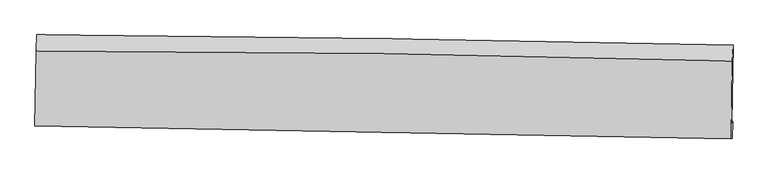
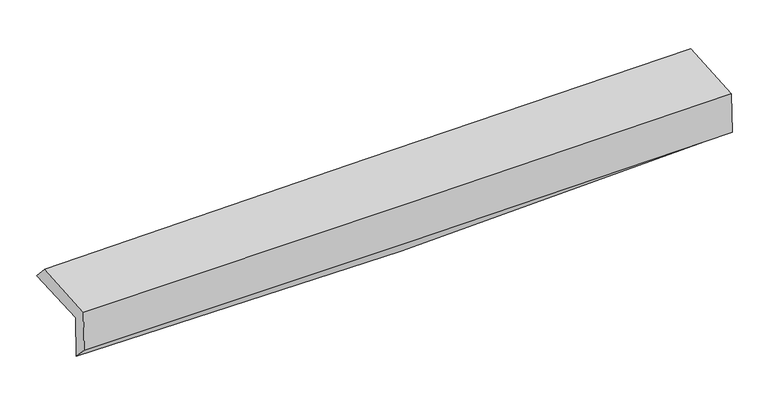
"""IFC4 building model written with IfcOpenShell, lengths in millimetres: proxy geometry."""

from ifc_helpers import new_model, si_unit, frame, origin, place, context, project, spatial, source, transform, mapped, element, save
from ifc_brep_helpers import plane_surface, spline_curve, spline_surface, advanced_brep


def generic_models_db112000(model_context):
    return source(origin(), model_context, "Body", "AdvancedBrep", [
        advanced_brep(
        [(-3020.0667517, -1755.2117557, 1953.5515885), (-3009.5536958, -1098.1408949, 1972.151699), (3007.8176461, -1187.0377752, 2127.2022803), (2997.0587289, -1859.4750878, 2108.1671822), (-3010.6328792, -1744.2622446, 1561.4150215), (3006.4324981, -1848.5953362, 1718.5289189), (-3016.4763692, -1884.0526326, 1710.3414085), (3001.1503327, -1997.5433292, 1837.1927352), (-3025.5717884, -1886.5638261, 2094.0936087), (2992.050075, -2000.0558586, 2221.1490769), (-3015.5613539, -1241.1644936, 2125.752414), (3002.5353927, -1324.6846206, 2253.8540001)],
        [
            (0, 1),
            (1, 2, spline_curve(3, [(-3009.5536958, -1098.1408949, 1972.151699), (-2005.937596194, -1106.5184767, 1972.312823334), (-1002.685777044, -1118.115259131, 1985.3140699), (1003.104681587, -1147.747454088, 2036.997203005), (2005.643309442, -1165.78296454, 2075.679483629), (3007.8176461, -1187.0377752, 2127.2022803)], [4, 2, 4], [0.0, 9.876223684903936, 19.752598832160153])),
            (2, 3),
            (3, 0, spline_curve(3, [(2997.0587289, -1859.4750878, 2108.1671822), (1994.7368043, -1847.444607745, 2056.383267009), (992.14487136, -1832.740669347, 2017.606677481), (-1013.563630446, -1797.98614355, 1966.068544912), (-2016.680191335, -1777.93563747, 1953.306603175), (-3020.0667517, -1755.2117557, 1953.5515885)], [4, 2, 4], [0.0, 9.876375147256217, 19.752598832160153])),
            (4, 0),
            (3, 5),
            (5, 4, spline_curve(3, [(3006.4324981, -1848.5953362, 1718.5289189), (2004.300901457, -1836.343949917, 1658.833654254), (1001.809140886, -1821.523746186, 1615.893225264), (-1003.879329126, -1786.745969889, 1563.522440114), (-2007.076027743, -1766.788476811, 1554.091569814), (-3010.6328792, -1744.2622446, 1561.4150215)], [4, 2, 4], [0.0, 9.87674062888471, 19.753329789812174])),
            (6, 4),
            (5, 7),
            (7, 6, spline_curve(3, [(3001.1503327, -1997.5433292, 1837.1927352), (1998.390687071, -1977.846596562, 1809.378589756), (995.538126419, -1958.540602639, 1784.900517746), (-1010.337444024, -1920.710382642, 1742.616844284), (-2013.360450528, -1902.186144125, 1724.811140891), (-3016.4763692, -1884.0526326, 1710.3414085)], [4, 2, 4], [0.0, 9.875999034940154, 19.75184661329602])),
            (8, 6),
            (7, 9),
            (9, 8, spline_curve(3, [(2992.050075, -2000.0558586, 2221.1490769), (1989.291210893, -1980.358910125, 2193.301953717), (986.439444319, -1961.052697295, 2168.790380942), (-1019.434512936, -1923.22203159, 2126.43866021), (-2022.456700736, -1904.697567164, 2108.598410601), (-3025.5717884, -1886.5638261, 2094.0936087)], [4, 2, 4], [0.0, 9.875523461054758, 19.750895472818545])),
            (10, 8),
            (9, 11),
            (11, 10, spline_curve(3, [(3002.5353927, -1324.6846206, 2253.8540001), (1999.907394862, -1296.661080222, 2226.342545527), (997.081486358, -1275.689300206, 2201.911627865), (-1008.950768361, -1247.849473869, 2159.211193761), (-2012.157109014, -1240.981211791, 2140.941582821), (-3015.5613539, -1241.1644936, 2125.752414)], [4, 2, 4], [0.0, 9.875550439574933, 19.750949429445157])),
            (1, 10),
            (11, 2),
        ],
        [
            spline_surface(3, 3, [[(-3020.0667517, -1755.2117557, 1953.5515885), (-2016.680191232, -1777.935637632, 1953.306603334), (-1013.563630439, -1797.986143421, 1966.068545058), (992.144871353, -1832.740669476, 2017.606677335), (1994.736804139, -1847.444607674, 2056.383266851), (2997.0587289, -1859.4750878, 2108.1671822)], [(-3016.562399765, -1536.188135437, 1959.751625324), (-2013.099326263, -1554.129917275, 1959.642010018), (-1009.937679281, -1571.362515343, 1972.483719995), (995.798141409, -1604.40959761, 2024.070185937), (1998.37230594, -1620.224059985, 2062.81533916), (3000.645034637, -1635.329316908, 2114.512214904)], [(-3013.058047735, -1317.164515163, 1965.951662176), (-2009.518461198, -1330.324196909, 1965.977416729), (-1006.311728129, -1344.738887343, 1978.898894879), (999.451411459, -1376.07852582, 2030.533694487), (2002.00780773, -1393.003512372, 2069.247411457), (3004.231340363, -1411.183546092, 2120.857247596)], [(-3009.5536958, -1098.1408949, 1972.151699), (-2005.93759623, -1106.518476552, 1972.312823412), (-1002.685776972, -1118.115259265, 1985.314069816), (1003.104681514, -1147.747453953, 2036.997203089), (2005.643309531, -1165.782964683, 2075.679483766), (3007.8176461, -1187.0377752, 2127.2022803)]], [4, 4], [4, 2, 4], [0.0, 2.2401337517746054], [0.0, 9.876223684903936, 19.752598832160153]),
            spline_surface(3, 3, [[(-3010.6328792, -1744.2622446, 1561.4150215), (-2007.076027677, -1766.78847665, 1554.091569931), (-1003.879329192, -1786.745970051, 1563.522440076), (1001.809140952, -1821.523746024, 1615.893225302), (2004.300901572, -1836.343949856, 1658.833654316), (3006.4324981, -1848.5953362, 1718.5289189)], [(-3013.777503364, -1747.91208161, 1692.127210491), (-2010.277415526, -1770.504196954, 1687.163247723), (-1007.107429592, -1790.492694524, 1697.704475055), (998.587717768, -1825.262720524, 1749.797709298), (2001.112869077, -1840.044169146, 1791.350191829), (3003.307908349, -1852.221920084, 1848.408340001)], [(-3016.922127536, -1751.56191869, 1822.839399509), (-2013.478803383, -1774.219917328, 1820.234925541), (-1010.335530039, -1794.239418948, 1831.886510079), (995.366294537, -1829.001694976, 1883.702193338), (1997.924836634, -1843.744388384, 1923.866729338), (3000.183318651, -1855.848503916, 1978.287761099)], [(-3020.0667517, -1755.2117557, 1953.5515885), (-2016.680191232, -1777.935637632, 1953.306603334), (-1013.563630439, -1797.986143421, 1966.068545058), (992.144871353, -1832.740669476, 2017.606677335), (1994.736804139, -1847.444607674, 2056.383266851), (2997.0587289, -1859.4750878, 2108.1671822)]], [4, 4], [4, 2, 4], [0.0, 1.3202192099815064], [0.0, 9.876589160927464, 19.753329789812174]),
            spline_surface(3, 3, [[(-3016.4763692, -1884.0526326, 1710.3414085), (-2013.360450462, -1902.186144228, 1724.811140935), (-1010.337443874, -1920.710382533, 1742.616844397), (995.538126269, -1958.540602748, 1784.900517633), (1998.390686995, -1977.846596645, 1809.378589755), (3001.1503327, -1997.5433292, 1837.1927352)], [(-3014.52853918, -1837.455836626, 1660.699279511), (-2011.265642847, -1857.053588395, 1667.904617277), (-1008.184739008, -1876.055578367, 1682.918709626), (997.628464468, -1912.868317167, 1728.564753525), (2000.360758545, -1930.679047726, 1759.196944614), (3002.911054525, -1947.89399821, 1797.638129772)], [(-3012.58070922, -1790.859040574, 1611.057150489), (-2009.170835292, -1811.921032484, 1610.998093588), (-1006.032034057, -1831.400774218, 1623.220574847), (999.718802753, -1867.196031604, 1672.22898941), (2002.330830022, -1883.511498776, 1709.015299457), (3004.671776275, -1898.24466719, 1758.083524328)], [(-3010.6328792, -1744.2622446, 1561.4150215), (-2007.076027677, -1766.78847665, 1554.091569931), (-1003.879329192, -1786.745970051, 1563.522440076), (1001.809140952, -1821.523746024, 1615.893225302), (2004.300901572, -1836.343949856, 1658.833654316), (3006.4324981, -1848.5953362, 1718.5289189)]], [4, 4], [4, 2, 4], [0.0, 0.7239580214395531], [0.0, 9.875847578355867, 19.75184661329602]),
            spline_surface(3, 3, [[(-3025.5717884, -1886.5638261, 2094.0936087), (-2022.456700852, -1904.697567215, 2108.598410528), (-1019.434512977, -1923.222031692, 2126.438660357), (986.43944436, -1961.052697193, 2168.790380795), (1989.291210911, -1980.358910245, 2193.301953678), (2992.050075, -2000.0558586, 2221.1490769)], [(-3022.539981995, -1885.726761577, 1966.176208643), (-2019.424617384, -1903.860426196, 1980.669320673), (-1016.402156578, -1922.384815318, 1998.498055046), (989.472338361, -1960.21533239, 2040.827093084), (1992.324369582, -1979.521472369, 2065.327499027), (2995.08349421, -1999.21834879, 2093.163629657)], [(-3019.508175605, -1884.889697123, 1838.258808557), (-2016.39253393, -1903.023285247, 1852.74023079), (-1013.369800272, -1921.547598907, 1870.557449708), (992.505232268, -1959.37796755, 1912.863805344), (1995.357528324, -1978.684034522, 1937.353044405), (2998.11691349, -1998.38083901, 1965.178182443)], [(-3016.4763692, -1884.0526326, 1710.3414085), (-2013.360450462, -1902.186144228, 1724.811140935), (-1010.337443874, -1920.710382533, 1742.616844397), (995.538126269, -1958.540602748, 1784.900517633), (1998.390686995, -1977.846596645, 1809.378589755), (3001.1503327, -1997.5433292, 1837.1927352)]], [4, 4], [4, 2, 4], [0.0, 1.2597501862239335], [0.0, 9.875372011763787, 19.750895472818545]),
            spline_surface(3, 3, [[(-3015.5613539, -1241.1644936, 2125.752414), (-2012.157109058, -1240.981211744, 2140.941582681), (-1008.950768466, -1247.849474015, 2159.211193714), (997.081486463, -1275.68930006, 2201.911627912), (1999.907394754, -1296.661080124, 2226.342545614), (3002.5353927, -1324.6846206, 2253.8540001)], [(-3018.89816541, -1456.297604437, 2115.199478882), (-2015.590306332, -1462.219996905, 2130.160525278), (-1012.445349988, -1472.973659908, 2148.287015912), (993.534139077, -1504.143765772, 2190.87121219), (1996.368666825, -1524.560356821, 2215.329014978), (2999.040286819, -1549.80836659, 2242.952359043)], [(-3022.23497689, -1671.430715263, 2104.646543818), (-2019.023503577, -1683.458782054, 2119.379467931), (-1015.939931455, -1698.097845798, 2137.362838159), (989.986791746, -1732.598231481, 2179.830796517), (1992.82993884, -1752.459633548, 2204.315484314), (2995.545180881, -1774.93211261, 2232.050717957)], [(-3025.5717884, -1886.5638261, 2094.0936087), (-2022.456700852, -1904.697567215, 2108.598410528), (-1019.434512977, -1923.222031692, 2126.438660357), (986.43944436, -1961.052697193, 2168.790380795), (1989.291210911, -1980.358910245, 2193.301953678), (2992.050075, -2000.0558586, 2221.1490769)]], [4, 4], [4, 2, 4], [0.0, 2.2350630256346826], [0.0, 9.875398989870224, 19.750949429445157]),
            spline_surface(3, 3, [[(-3009.5536958, -1098.1408949, 1972.151699), (-2005.93759623, -1106.518476552, 1972.312823412), (-1002.685776972, -1118.115259265, 1985.314069816), (1003.104681514, -1147.747453953, 2036.997203089), (2005.643309531, -1165.782964683, 2075.679483766), (3007.8176461, -1187.0377752, 2127.2022803)], [(-3011.556248485, -1145.815427814, 2023.351937349), (-2008.010767157, -1151.339388296, 2028.522409851), (-1004.774107472, -1161.359997517, 2043.279777783), (1001.096949829, -1190.39473599, 2091.968678031), (2003.731337933, -1209.409003182, 2125.900504371), (3006.056894961, -1232.920057018, 2169.419520222)], [(-3013.558801215, -1193.489960686, 2074.552175651), (-2010.08393813, -1196.1603, 2084.731996242), (-1006.862437966, -1204.604735764, 2101.245485746), (999.089218148, -1233.042018023, 2146.940152969), (2001.819366352, -1253.035041626, 2176.121525009), (3004.296143839, -1278.802338782, 2211.636760178)], [(-3015.5613539, -1241.1644936, 2125.752414), (-2012.157109058, -1240.981211744, 2140.941582681), (-1008.950768466, -1247.849474015, 2159.211193714), (997.081486463, -1275.68930006, 2201.911627912), (1999.907394754, -1296.661080124, 2226.342545614), (3002.5353927, -1324.6846206, 2253.8540001)]], [4, 4], [4, 2, 4], [0.0, 0.6985591351031621], [0.0, 9.875788119180536, 19.75172769403349]),
            plane_surface(frame((3001.1741122, -1702.8986679, 2044.3490322), z_axis=(0.9995830582114534, -0.016660771184359643, 0.023582375626312508), x_axis=(0.023694120940440756, 0.006541812176127543, -0.9996978510161518))),
            plane_surface(frame((-3016.310473, -1601.5659746, 1902.88429), z_axis=(-0.9995830582114527, 0.016660771184281664, -0.023582375626402047), x_axis=(-0.0159914295640363, -0.9994717601507002, -0.028292664097956062))),
        ],
        [
            (0, [[1, 2, 3, 4]]),
            (1, [[5, -4, 6, 7]]),
            (2, [[8, -7, 9, 10]]),
            (3, [[11, -10, 12, 13]]),
            (4, [[14, -13, 15, 16]]),
            (5, [[17, -16, 18, -2]]),
            (6, [[-12, -9, -6, -3, -18, -15]]),
            (7, [[-1, -5, -8, -11, -14, -17]]),
        ],
    ),
    ])


if __name__ == "__main__":
    model = new_model("IFC4")
    model_context = context("Model", 3, world=origin())
    ifc_project = project(units=[si_unit("LENGTHUNIT", "METRE", prefix="MILLI")], contexts=[model_context])
    site = spatial("IfcSite", under=ifc_project)
    building = spatial("IfcBuilding", under=site)
    placement = place(None, origin())
    generic_models_shape = generic_models_db112000(model_context)
    element("IfcBuildingElementProxy", 1, Name="Generic Models", at=placement, inside=building, context=model_context, shape_type="MappedRepresentation", body=[
        mapped(generic_models_shape, transform((0.0, 0.0, 0.0), x_axis=(1.0, 0.0, 0.0), y_axis=(0.0, 1.0, 0.0), z_axis=(0.0, 0.0, 1.0))),
    ])
    save(model, "model.ifc")
